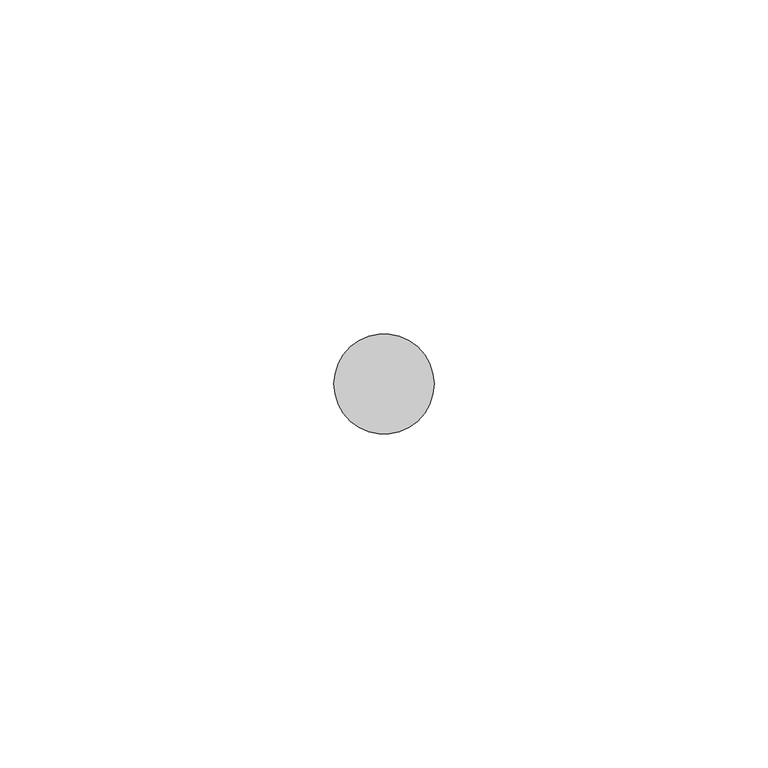
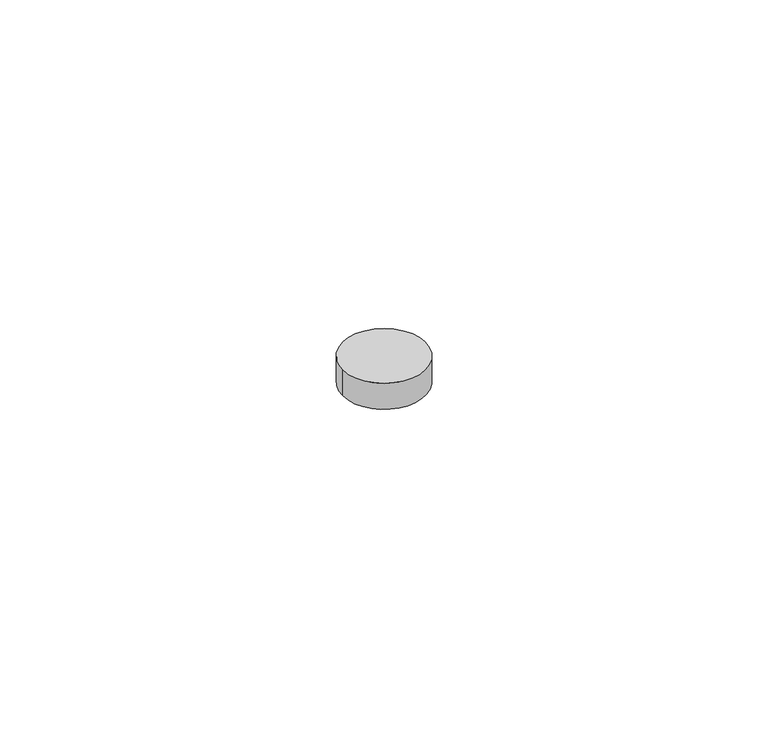
"""IFC4 building model written with IfcOpenShell, lengths in millimetres: proxy geometry."""

import ifcopenshell
import ifcopenshell.guid

model = None  # the IFC model being written
_history = None  # IfcOwnerHistory: only IFC2X3 demands one
_inside = {}  # id of a spatial element -> (the spatial element, [elements in it])
_under = {}  # id of a project, library or spatial element -> (it, [spatial elements below it])
_declared = {}  # id of a project -> (the project, [libraries it declares])
_typed = {}  # id of a type object -> (the type object, [elements of that type])
_made_of = {}  # id of a material, layer set ... -> (it, [elements and type objects made of it])


def new_model(schema):
    """Start an empty IFC model of exactly this schema.

    Asked for "IFC4X3", IfcOpenShell would pick the latest addendum, in which some entities
    have other attributes; the version numbers below select the first issue.
    IFC2X3 requires an IfcOwnerHistory on every rooted entity: one is made here for all.
    """
    global model, _history
    if schema == "IFC4X3":
        model = ifcopenshell.file(schema_version=(4, 3, 0, 0))
    else:
        model = ifcopenshell.file(schema=schema)
    _inside.clear()
    _under.clear()
    _declared.clear()
    _typed.clear()
    _made_of.clear()
    _history = None
    if model.schema == "IFC2X3":
        org = make("IfcOrganization", Name="unknown")
        user = make(
            "IfcPersonAndOrganization",
            ThePerson=make("IfcPerson", FamilyName="unknown"),
            TheOrganization=org,
        )
        app = make(
            "IfcApplication",
            ApplicationDeveloper=org,
            Version="unknown",
            ApplicationFullName="unknown",
            ApplicationIdentifier="unknown",
        )
        _history = make(
            "IfcOwnerHistory",
            OwningUser=user,
            OwningApplication=app,
            ChangeAction="ADDED",
            CreationDate=0,
        )
    return model


def make(cls, **values):
    """One entity of the class cls with the attributes given. An attribute that is None is left unset."""
    return model.create_entity(
        cls, **{name: value for name, value in values.items() if value is not None}
    )


def rooted(cls, **values):
    """An entity with a GlobalId (a new one), such as an element, a storey or a relation."""
    return make(cls, GlobalId=ifcopenshell.guid.new(), OwnerHistory=_history, **values)


def si_unit(unit_type, name, prefix=None):
    """IfcSIUnit, for example si_unit("LENGTHUNIT", "METRE", prefix="MILLI")."""
    return make("IfcSIUnit", UnitType=unit_type, Prefix=prefix, Name=name)


def assignment(units):
    """IfcUnitAssignment: the units of a project."""
    return None if units is None else make("IfcUnitAssignment", Units=units)


def point(xyz):
    """IfcCartesianPoint."""
    return None if xyz is None else make("IfcCartesianPoint", Coordinates=xyz)


def direction(xyz):
    """IfcDirection."""
    return None if xyz is None else make("IfcDirection", DirectionRatios=xyz)


def frame(location, z_axis=None, x_axis=None):
    """IfcAxis2Placement3D, a coordinate frame: its origin and axes. An axis left out is left unset."""
    return make(
        "IfcAxis2Placement3D",
        Location=point(location),
        Axis=direction(z_axis),
        RefDirection=direction(x_axis),
    )


def frame_2d(location, x_axis=None):
    """IfcAxis2Placement2D, a coordinate frame in the plane: its origin and x axis."""
    return make(
        "IfcAxis2Placement2D", Location=point(location), RefDirection=direction(x_axis)
    )


def origin():
    """The frame at (0, 0, 0) with its axes left unset."""
    return frame((0.0, 0.0, 0.0))


def origin_with_axes():
    """The frame at (0, 0, 0) with the z axis (0, 0, 1) and the x axis (1, 0, 0) written out."""
    return frame((0.0, 0.0, 0.0), z_axis=(0.0, 0.0, 1.0), x_axis=(1.0, 0.0, 0.0))


def origin_2d():
    """The frame at (0, 0) in the plane with its x axis left unset."""
    return frame_2d((0.0, 0.0))


def place(relative_to, where):
    """IfcLocalPlacement: puts the frame where relative to a parent placement (None: the world)."""
    return make(
        "IfcLocalPlacement", PlacementRelTo=relative_to, RelativePlacement=where
    )


def context(
    kind, dimensions, precision=None, world=None, true_north=None, identifier=None
):
    """IfcGeometricRepresentationContext, for example the 3D "Model" context."""
    return make(
        "IfcGeometricRepresentationContext",
        ContextIdentifier=identifier,
        ContextType=kind,
        CoordinateSpaceDimension=dimensions,
        Precision=precision,
        WorldCoordinateSystem=world,
        TrueNorth=true_north,
    )


def project(units=None, contexts=None):
    """IfcProject with its units and contexts."""
    return rooted(
        "IfcProject",
        Name="project",
        RepresentationContexts=contexts,
        UnitsInContext=assignment(units),
    )


def spatial(cls, under=None, at=None, **own):
    """A site, building, storey or space (cls), placed at a placement, below another one or the project."""
    s = rooted(cls, ObjectPlacement=at, **own)
    if under is not None:
        _under.setdefault(under.id(), (under, []))[1].append(s)
    return s


def circle_curve(where, radius):
    """IfcCircle in the frame where."""
    return make("IfcCircle", Position=where, Radius=radius)


def trimmed(basis, trim1, trim2, sense, master):
    """IfcTrimmedCurve: the piece of a basis curve between two trims."""
    return make(
        "IfcTrimmedCurve",
        BasisCurve=basis,
        Trim1=trim1,
        Trim2=trim2,
        SenseAgreement=sense,
        MasterRepresentation=master,
    )


def segment(curve, same_sense, transition):
    """IfcCompositeCurveSegment."""
    return make(
        "IfcCompositeCurveSegment",
        Transition=transition,
        SameSense=same_sense,
        ParentCurve=curve,
    )


def composite_curve(segments, self_intersect=None):
    """IfcCompositeCurve: segments joined end to end."""
    return make("IfcCompositeCurve", Segments=segments, SelfIntersect=self_intersect)


def outline(outer, holes=None, kind="AREA"):
    """IfcArbitraryClosedProfileDef: a profile drawn as a closed curve; with holes, ...WithVoids."""
    if holes is None:
        return make("IfcArbitraryClosedProfileDef", ProfileType=kind, OuterCurve=outer)
    return make(
        "IfcArbitraryProfileDefWithVoids",
        ProfileType=kind,
        OuterCurve=outer,
        InnerCurves=holes,
    )


def extrude(swept, where, along, depth):
    """IfcExtrudedAreaSolid: the profile swept, set in the frame where, extruded along a direction by depth."""
    return make(
        "IfcExtrudedAreaSolid",
        SweptArea=swept,
        Position=where,
        ExtrudedDirection=direction(along),
        Depth=depth,
    )


def shape(context_of_items, identifier, shape_type, items):
    """IfcShapeRepresentation: the items that make up one representation, for example the "Body"."""
    return make(
        "IfcShapeRepresentation",
        ContextOfItems=context_of_items,
        RepresentationIdentifier=identifier,
        RepresentationType=shape_type,
        Items=items,
    )


def source(mapping_origin, context_of_items, identifier, shape_type, items):
    """IfcRepresentationMap: a shape defined once, which mapped items show again and again."""
    return make(
        "IfcRepresentationMap",
        MappingOrigin=mapping_origin,
        MappedRepresentation=shape(context_of_items, identifier, shape_type, items),
    )


def transform(
    local_origin,
    x_axis=None,
    y_axis=None,
    z_axis=None,
    scale=None,
    scale2=None,
    scale3=None,
    uniform=True,
):
    """IfcCartesianTransformationOperator3D, or its non-uniform kind. x_axis, y_axis, z_axis: its Axis1, 2, 3."""
    if uniform:
        return make(
            "IfcCartesianTransformationOperator3D",
            Axis1=direction(x_axis),
            Axis2=direction(y_axis),
            LocalOrigin=point(local_origin),
            Scale=scale,
            Axis3=direction(z_axis),
        )
    return make(
        "IfcCartesianTransformationOperator3DnonUniform",
        Axis1=direction(x_axis),
        Axis2=direction(y_axis),
        LocalOrigin=point(local_origin),
        Scale=scale,
        Axis3=direction(z_axis),
        Scale2=scale2,
        Scale3=scale3,
    )


def mapped(mapping_source, mapping_target):
    """IfcMappedItem: shows the shape of a source again, moved by a transform."""
    return make(
        "IfcMappedItem", MappingSource=mapping_source, MappingTarget=mapping_target
    )


def made_of(thing, what):
    """Note that an element or type object is made of a material, layer set ...; save() writes the relation."""
    if what is not None:
        _made_of.setdefault(what.id(), (what, []))[1].append(thing)
    return thing


def element(
    cls,
    number,
    at=None,
    inside=None,
    cuts=None,
    type_object=None,
    material=None,
    context=None,
    identifier="Body",
    shape_type=None,
    held_by="IfcProductDefinitionShape",
    body=None,
    shapes=None,
    **own,
):
    """One element of the class cls, such as IfcWall. Its Tag is "e" and its number.

    at: its placement. inside: the storey or other place that contains it. cuts: it is an
    opening in that element (IfcRelVoidsElement). A single representation is given by context,
    identifier, shape_type and body (its items); several are given by shapes. held_by: the class
    of the entity that holds the representations. save() writes the other relations.
    """
    e = rooted(cls, Tag="e%d" % number, ObjectPlacement=at, **own)
    if body is not None:
        shapes = [shape(context, identifier, shape_type, body)]
    if shapes is not None:
        e.Representation = make(held_by, Representations=shapes)
    if inside is not None:
        _inside.setdefault(inside.id(), (inside, []))[1].append(e)
    if cuts is not None:
        rooted(
            "IfcRelVoidsElement", RelatingBuildingElement=cuts, RelatedOpeningElement=e
        )
    if type_object is not None:
        _typed.setdefault(type_object.id(), (type_object, []))[1].append(e)
    return made_of(e, material)


def aggregate(whole, parts):
    """IfcRelAggregates: a whole, such as a stair, and the parts it consists of."""
    return rooted("IfcRelAggregates", RelatingObject=whole, RelatedObjects=parts)


def save(model, path):
    """Write the relations noted so far, then the file.

    IfcRelAggregates (storeys below a building ...), IfcRelContainedInSpatialStructure (elements
    in a storey), IfcRelDefinesByType, IfcRelAssociatesMaterial and IfcRelDeclares: one each for
    every whole, place, type object, material and project.
    """
    for whole, parts in _under.values():
        aggregate(whole, parts)
    for where, things in _inside.values():
        rooted(
            "IfcRelContainedInSpatialStructure",
            RelatedElements=things,
            RelatingStructure=where,
        )
    for kind, things in _typed.values():
        rooted("IfcRelDefinesByType", RelatedObjects=things, RelatingType=kind)
    for what, things in _made_of.values():
        rooted("IfcRelAssociatesMaterial", RelatedObjects=things, RelatingMaterial=what)
    for by, libraries in _declared.values():
        rooted("IfcRelDeclares", RelatingContext=by, RelatedDefinitions=libraries)
    model.write(path)


def generic_models_933874a6(model_context):
    return source(origin(), model_context, "Body", "SweptSolid", [
        extrude(outline(composite_curve([segment(trimmed(circle_curve(origin_2d(), 7.5), [point((-7.5, 0.0))], [point((7.5, 0.0))], False, "CARTESIAN"), True, "CONTINUOUS"), segment(trimmed(circle_curve(origin_2d(), 7.5), [point((7.5, 0.0))], [point((-7.5, 0.0))], False, "CARTESIAN"), True, "CONTINUOUS")], self_intersect=False)), origin_with_axes(), (0.0, 0.0, 1.0), 5.0),
    ])


if __name__ == "__main__":
    model = new_model("IFC4")
    model_context = context("Model", 3, world=origin())
    ifc_project = project(units=[si_unit("LENGTHUNIT", "METRE", prefix="MILLI")], contexts=[model_context])
    site = spatial("IfcSite", under=ifc_project)
    building = spatial("IfcBuilding", under=site)
    placement = place(None, origin())
    generic_models_shape = generic_models_933874a6(model_context)
    element("IfcBuildingElementProxy", 1, Name="Generic Models", at=placement, inside=building, context=model_context, shape_type="MappedRepresentation", body=[
        mapped(generic_models_shape, transform((0.0, 0.0, 0.0), x_axis=(1.0, 0.0, 0.0), y_axis=(0.0, 1.0, 0.0), z_axis=(0.0, 0.0, 1.0))),
    ])
    save(model, "model.ifc")
